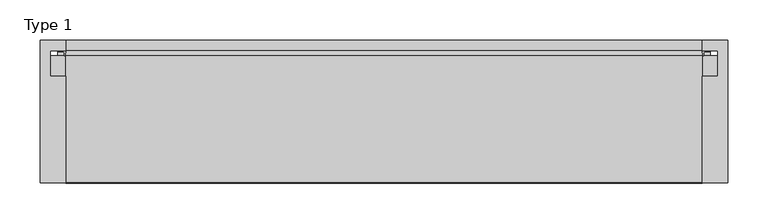
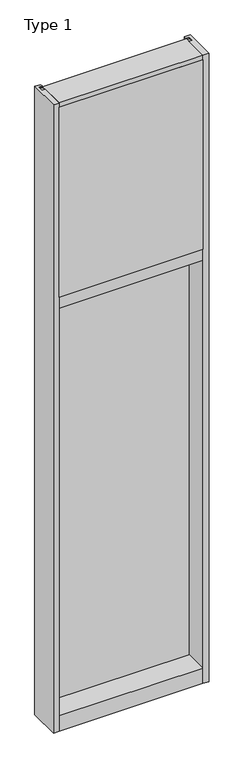
"""IFC4 building model written with IfcOpenShell, lengths in millimetres: plate geometry, Type 1."""

from ifc_helpers import new_model, si_unit, point, frame, frame_2d, origin, place, context, project, spatial, polyline, circle_curve, trimmed, segment, composite_curve, outline, extrude, source, transform, mapped, element, save


def type_1_85fa930a(model_context):
    return source(origin(), model_context, "Body", "SweptSolid", [
        extrude(outline(polyline([(-428.625, -130.5814), (-428.625, 47.2186), (-396.8739108, 47.2186), (-396.8739108, 34.036), (-415.925, 34.036), (-415.925, 2.286), (-396.875, 2.286), (-396.875, -130.5814), (-428.625, -130.5814)])), frame((0.0, 0.0, -57.15), z_axis=(0.0, 0.0, 1.0), x_axis=(1.0, 0.0, 0.0)), (0.0, 0.0, 1.0), 3657.6),
        extrude(outline(polyline([(428.625, -130.5814), (396.875, -130.5814), (396.875, 2.286), (415.925, 2.286), (415.925, 34.036), (396.8739108, 34.036), (396.8739108, 47.2186), (428.625, 47.2186), (428.625, -130.5814)])), frame((0.0, 0.0, -57.15), z_axis=(0.0, 0.0, 1.0), x_axis=(1.0, 0.0, 0.0)), (0.0, 0.0, 1.0), 3657.6),
        extrude(outline(composite_curve([segment(polyline([(-396.9515008, 34.0361122), (-397.3624462, 27.686), (-398.3289521, 27.686), (-398.3564595, 31.7563748)]), True, "CONTINUOUS"), segment(trimmed(circle_curve(frame_2d((-398.991445, 31.7520836)), 0.635), [point((-398.3564595, 31.7563748))], [point((-398.9563642, 32.3861138))], True, "CARTESIAN"), True, "CONTINUOUS"), segment(polyline([(-398.9563642, 32.3861138), (-405.7117251, 32.7598869)]), True, "CONTINUOUS"), segment(trimmed(circle_curve(frame_2d((-405.5291718, 33.7593519)), 1.016), [point((-405.7117251, 32.7598869))], [point((-406.5067504, 34.0361122))], False, "CARTESIAN"), True, "CONTINUOUS"), segment(polyline([(-406.5067504, 34.0361122), (-396.9515008, 34.0361122)]), True, "CONTINUOUS")], self_intersect=False)), frame((0.0, 0.0, 2459.3728643), z_axis=(0.0, 0.0, 1.0), x_axis=(1.0, 0.0, 0.0)), (0.0, 0.0, 1.0), 1134.7271357),
        extrude(outline(composite_curve([segment(polyline([(397.3624462, 27.686), (396.9515008, 34.0361122), (406.5067504, 34.0361122)]), True, "CONTINUOUS"), segment(trimmed(circle_curve(frame_2d((405.5291718, 33.7593519)), 1.016), [point((406.5067504, 34.0361122))], [point((405.7117251, 32.7598869))], False, "CARTESIAN"), True, "CONTINUOUS"), segment(polyline([(405.7117251, 32.7598869), (398.9563642, 32.3861138)]), True, "CONTINUOUS"), segment(trimmed(circle_curve(frame_2d((398.991445, 31.7520836)), 0.635), [point((398.9563642, 32.3861138))], [point((398.3564595, 31.7563748))], True, "CARTESIAN"), True, "CONTINUOUS"), segment(polyline([(398.3564595, 31.7563748), (398.3289521, 27.686), (397.3624462, 27.686)]), True, "CONTINUOUS")], self_intersect=False)), frame((0.0, 0.0, 2459.3728643), z_axis=(0.0, 0.0, 1.0), x_axis=(1.0, 0.0, 0.0)), (0.0, 0.0, 1.0), 1134.7271357),
        extrude(outline(polyline([(34.0361122, 2459.3728643), (27.686, 2459.3728643), (27.686, 2471.8771952), (34.0361122, 2470.1238955), (34.0361122, 2459.3728643)])), frame((-406.5067504, 0.0, 0.0), z_axis=(1.0, 0.0, 0.0), x_axis=(0.0, 1.0, 0.0)), (0.0, 0.0, 1.0), 813.0135007),
        extrude(outline(polyline([(396.875, -48.514), (396.875, -131.0159103), (-396.875, -131.0159103), (-396.875, -48.514), (396.875, -48.514)])), frame((0.0, 0.0, 2470.15), z_axis=(0.0, 0.0, 1.0), x_axis=(1.0, 0.0, 0.0)), (0.0, 0.0, 1.0), 1104.9),
        extrude(outline(polyline([(415.925, 27.686), (415.925, 2.286), (-415.925, 2.286), (-415.925, 27.686), (415.925, 27.686)])), frame((0.0, 0.0, 2451.1), z_axis=(0.0, 0.0, 1.0), x_axis=(1.0, 0.0, 0.0)), (0.0, 0.0, 1.0), 1143.0),
        extrude(outline(composite_curve([segment(trimmed(circle_curve(frame_2d((-398.9925342, 31.7520836)), 0.635), [point((-398.3575487, 31.7563748))], [point((-398.9574534, 32.3861138))], True, "CARTESIAN"), True, "CONTINUOUS"), segment(polyline([(-398.9574534, 32.3861138), (-405.7128143, 32.7598869)]), True, "CONTINUOUS"), segment(trimmed(circle_curve(frame_2d((-405.5302611, 33.7593519)), 1.016), [point((-405.7128143, 32.7598869))], [point((-406.5078713, 34.036))], False, "CARTESIAN"), True, "CONTINUOUS"), segment(polyline([(-406.5078713, 34.036), (-396.9525972, 34.036), (-397.3635354, 27.686), (-398.3300413, 27.686), (-398.3575487, 31.7563748)]), True, "CONTINUOUS")], self_intersect=False)), frame((0.0, 0.0, 20.9709644), z_axis=(0.0, 0.0, 1.0), x_axis=(1.0, 0.0, 0.0)), (0.0, 0.0, 1.0), 2396.4580861),
        extrude(outline(composite_curve([segment(polyline([(397.3635354, 27.686), (396.9525972, 34.036), (406.5078713, 34.036)]), True, "CONTINUOUS"), segment(trimmed(circle_curve(frame_2d((405.5302611, 33.7593519)), 1.016), [point((406.5078713, 34.036))], [point((405.7128143, 32.7598869))], False, "CARTESIAN"), True, "CONTINUOUS"), segment(polyline([(405.7128143, 32.7598869), (398.9574534, 32.3861138)]), True, "CONTINUOUS"), segment(trimmed(circle_curve(frame_2d((398.9925342, 31.7520836)), 0.635), [point((398.9574534, 32.3861138))], [point((398.3575487, 31.7563748))], True, "CARTESIAN"), True, "CONTINUOUS"), segment(polyline([(398.3575487, 31.7563748), (398.3300413, 27.686), (397.3635354, 27.686)]), True, "CONTINUOUS")], self_intersect=False)), frame((0.0, 0.0, 20.9709644), z_axis=(0.0, 0.0, 1.0), x_axis=(1.0, 0.0, 0.0)), (0.0, 0.0, 1.0), 2396.4580861),
        extrude(outline(polyline([(415.9260892, 27.686), (415.9260892, 2.286), (-415.9260892, 2.286), (-415.9260892, 27.686), (415.9260892, 27.686)])), frame((0.0, 0.0, 12.6962001), z_axis=(0.0, 0.0, 1.0), x_axis=(1.0, 0.0, 0.0)), (0.0, 0.0, 1.0), 2413.0037999),
        extrude(outline(polyline([(27.686, 33.4752684), (34.036, 31.7219997), (34.036, 20.9709644), (27.686, 20.9709644), (27.686, 33.4752684)])), frame((-406.5078713, 0.0, 0.0), z_axis=(1.0, 0.0, 0.0), x_axis=(0.0, 1.0, 0.0)), (0.0, 0.0, 1.0), 813.0157427),
        extrude(outline(polyline([(27.6860992, 2417.4309356), (34.0360992, 2417.4309356), (34.0360992, 2406.6798775), (27.6860992, 2404.9266088), (27.6860992, 2417.4309356)])), frame((-406.5078713, 0.0, 0.0), z_axis=(1.0, 0.0, 0.0), x_axis=(0.0, 1.0, 0.0)), (0.0, 0.0, 1.0), 813.0157427),
        extrude(outline(polyline([(-130.0734, 3600.45), (27.686, 3600.45), (27.686, 3594.1), (0.0, 3594.1), (0.0, 3575.051832), (-130.0734, 3575.051832), (-130.0734, 3600.45)])), frame((-396.875, 0.0, 0.0), z_axis=(1.0, 0.0, 0.0), x_axis=(0.0, 1.0, 0.0)), (0.0, 0.0, 1.0), 793.75),
        extrude(outline(polyline([(0.0, 2470.15), (0.0, 2451.1), (34.13125, 2451.1), (34.13125, 2470.1462001), (47.2186445, 2470.1462001), (47.2186445, 2406.6462001), (34.13125, 2406.6462001), (34.13125, 2425.7), (0.0, 2425.7), (0.0, 2406.65), (-130.175, 2406.65), (-130.175, 2470.15), (0.0, 2470.15)])), frame((-396.875, 0.0, 0.0), z_axis=(1.0, 0.0, 0.0), x_axis=(0.0, 1.0, 0.0)), (0.0, 0.0, 1.0), 793.75),
        extrude(outline(polyline([(0.0, 31.75), (0.0, 12.7), (34.13125, 12.7), (34.13125, 31.751832), (47.2186148, 31.751832), (47.2186148, -57.15), (-130.175, -57.15), (-130.175, 31.75), (0.0, 31.75)])), frame((-396.875, 0.0, 0.0), z_axis=(1.0, 0.0, 0.0), x_axis=(0.0, 1.0, 0.0)), (0.0, 0.0, 1.0), 793.75),
    ])


if __name__ == "__main__":
    model = new_model("IFC4")
    model_context = context("Model", 3, world=origin())
    ifc_project = project(units=[si_unit("LENGTHUNIT", "METRE", prefix="MILLI")], contexts=[model_context])
    site = spatial("IfcSite", under=ifc_project)
    building = spatial("IfcBuilding", under=site)
    placement = place(None, origin())
    type_1_shape = type_1_85fa930a(model_context)
    element("IfcPlate", 1, ObjectType="Type 1", at=placement, inside=building, context=model_context, shape_type="MappedRepresentation", body=[
        mapped(type_1_shape, transform((0.0, 0.0, 0.0), x_axis=(1.0, 0.0, 0.0), y_axis=(0.0, 1.0, 0.0), z_axis=(0.0, 0.0, 1.0))),
    ])
    save(model, "model.ifc")
